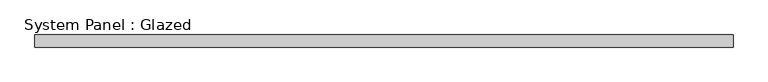
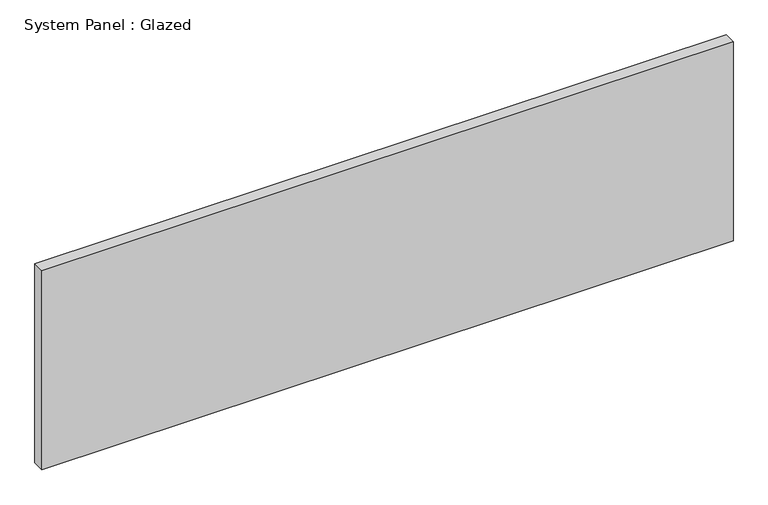
"""IFC4 building model written with IfcOpenShell, lengths in millimetres: plate geometry, System Panel : Glazed."""

from ifc_helpers import new_model, si_unit, origin, origin_with_axes, place, context, project, spatial, polyline, outline, extrude, source, transform, mapped, element, save


def system_panel_glazed_1ee72ab1(model_context):
    return source(origin(), model_context, "Body", "SweptSolid", [
        extrude(outline(polyline([(730.25, -12.7), (-730.25, -12.7), (-730.25, 12.7), (730.25, 12.7), (730.25, -12.7)])), origin_with_axes(), (0.0, 0.0, 1.0), 444.5),
    ])


if __name__ == "__main__":
    model = new_model("IFC4")
    model_context = context("Model", 3, world=origin())
    ifc_project = project(units=[si_unit("LENGTHUNIT", "METRE", prefix="MILLI")], contexts=[model_context])
    site = spatial("IfcSite", under=ifc_project)
    building = spatial("IfcBuilding", under=site)
    placement = place(None, origin())
    system_panel_glazed_shape = system_panel_glazed_1ee72ab1(model_context)
    element("IfcPlate", 1, ObjectType="System Panel : Glazed", at=placement, inside=building, context=model_context, shape_type="MappedRepresentation", body=[
        mapped(system_panel_glazed_shape, transform((0.0, 0.0, 0.0), x_axis=(1.0, 0.0, 0.0), y_axis=(0.0, 1.0, 0.0), z_axis=(0.0, 0.0, 1.0))),
    ])
    save(model, "model.ifc")
